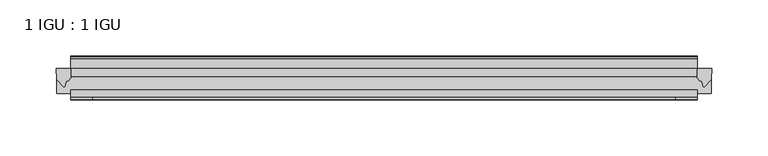
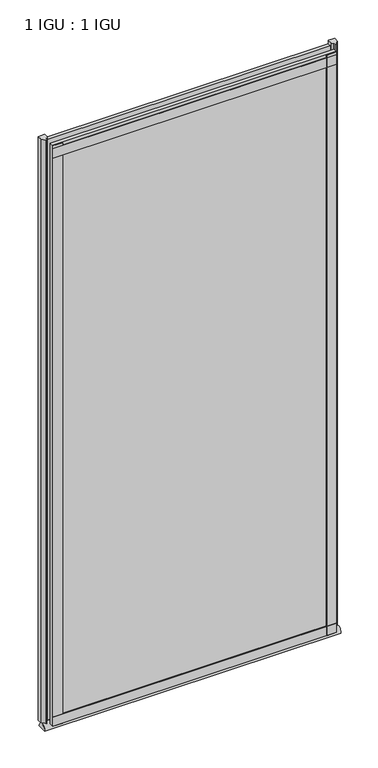
"""IFC4 building model written with IfcOpenShell, lengths in millimetres: plate geometry, 1 IGU : 1 IGU."""

from ifc_helpers import new_model, si_unit, point, frame, frame_2d, origin, place, context, project, spatial, polyline, circle_curve, ellipse_curve, trimmed, segment, composite_curve, outline, extrude, source, transform, mapped, element, save
from ifc_brep_helpers import plane_surface, extruded_surface, advanced_brep


def plate_1_igu_1_igu_e1daa75b(model_context):
    return source(origin(), model_context, "Body", "SolidModel", [
        extrude(outline(polyline([(278.8921925, -11.6085937), (278.8921925, -18.8576359), (-278.8921925, -18.8576359), (-278.8921925, -11.6085937), (278.8921925, -11.6085937)])), frame((0.0, 0.0, -19.05), z_axis=(0.0, 0.0, 1.0), x_axis=(1.0, 0.0, 0.0)), (0.0, 0.0, 1.0), 1206.5),
        extrude(outline(polyline([(-278.8921925, -30.7093937), (278.8921925, -30.7093937), (278.8921925, -37.0085937), (-278.8921925, -37.0085937), (-278.8921925, -30.7093937)])), frame((0.0, 0.0, -19.05), z_axis=(0.0, 0.0, 1.0), x_axis=(1.0, 0.0, 0.0)), (0.0, 0.0, 1.0), 1206.5),
        advanced_brep(
        [(291.5921925, -33.6472189, -28.575), (291.5921925, -14.9699686, -28.575), (-291.5921925, -33.6472189, -28.575), (-291.5921925, -14.9699686, -28.575)],
        [
            (0, 1),
            (1, 0, ellipse_curve(frame((291.5921925, -24.3085937, -28.575), z_axis=(1.0, 0.0, 0.0), x_axis=(0.0, 0.0, 1.0)), 10.6973372, 9.3386252)),
            (2, 3, ellipse_curve(frame((-291.5921925, -24.3085937, -28.575), z_axis=(-1.0, 0.0, 0.0), x_axis=(0.0, 0.0, 1.0)), 10.6973372, 9.3386252)),
            (3, 2),
            (0, 2),
            (3, 1),
        ],
        [
            plane_surface(frame((291.5921925, -9.2273438, -28.575), z_axis=(1.0, 0.0, 0.0), x_axis=(0.0, 1.0, 0.0))),
            plane_surface(frame((-291.5921925, -9.2273437, -28.575), z_axis=(-1.0, 0.0, 0.0), x_axis=(0.0, 1.0, 0.0))),
            plane_surface(frame((291.5921925, -33.6472189, -28.575), z_axis=(0.0, 0.0, -1.0), x_axis=(-1.0, 0.0, 0.0))),
            extruded_surface(trimmed(ellipse_curve(frame((-291.5921925, -24.3085937, -28.575), z_axis=(1.0, 0.0, 0.0), x_axis=(0.0, 0.0, 1.0)), 10.6973372, 9.3386252), [point((-291.5921925, -14.9699686, -28.575))], [point((-291.5921925, -33.6472189, -28.575))], True, "CARTESIAN"), (583.184385, 0.0, 0.0), 583.184385),
        ],
        [
            (0, [[1, 2]]),
            (1, [[3, 4]]),
            (2, [[-1, 5, -4, 6]]),
            (3, [[-2, -6, -3, -5]]),
        ],
    ),
        extrude(outline(composite_curve([segment(polyline([(291.9701017, -11.6101465), (291.5921925, -21.3502133), (285.6541393, -27.6095865)]), True, "CONTINUOUS"), segment(trimmed(circle_curve(frame_2d((284.9813332, -27.2518492)), 0.762), [point((285.6541393, -27.6095865))], [point((284.252629, -27.4746364))], False, "CARTESIAN"), True, "CONTINUOUS"), segment(polyline([(284.252629, -27.4746364), (282.9907944, -23.3488397)]), True, "CONTINUOUS"), segment(trimmed(circle_curve(frame_2d((285.1727516, -16.3834724)), 7.2991286), [point((282.9907944, -23.3488397))], [point((278.8923711, -20.1028944))], False, "CARTESIAN"), True, "CONTINUOUS"), segment(polyline([(278.8923711, -20.1028944), (278.8923711, -12.664425)]), True, "CONTINUOUS"), segment(trimmed(circle_curve(frame_2d((285.1736256, -16.3827796)), 7.2993369), [point((278.8923711, -12.664425))], [point((279.6507375, -11.6101465))], False, "CARTESIAN"), True, "CONTINUOUS"), segment(polyline([(279.6507375, -11.6101465), (291.9701017, -11.6101465)]), True, "CONTINUOUS")], self_intersect=False)), frame((0.0, 0.0, -19.05), z_axis=(0.0, 0.0, 1.0), x_axis=(1.0, 0.0, 0.0)), (0.0, 0.0, 1.0), 1213.6374),
        extrude(outline(composite_curve([segment(polyline([(-278.8921925, -11.610702), (-278.8921925, -20.1014769)]), True, "CONTINUOUS"), segment(trimmed(circle_curve(frame_2d((-285.1733869, -16.3829847)), 7.2993552), [point((-278.8921925, -20.1014769))], [point((-282.9911423, -23.3484994))], False, "CARTESIAN"), True, "CONTINUOUS"), segment(polyline([(-282.9911423, -23.3484994), (-284.252629, -27.4746364)]), True, "CONTINUOUS"), segment(trimmed(circle_curve(frame_2d((-284.9813332, -27.2518492)), 0.762), [point((-284.252629, -27.4746364))], [point((-285.6541393, -27.6095865))], False, "CARTESIAN"), True, "CONTINUOUS"), segment(polyline([(-285.6541393, -27.6095865), (-291.5921925, -21.3502133), (-291.9701017, -11.610702), (-278.8921925, -11.610702)]), True, "CONTINUOUS")], self_intersect=False)), frame((0.0, 0.0, -19.05), z_axis=(0.0, 0.0, 1.0), x_axis=(1.0, 0.0, 0.0)), (0.0, 0.0, 1.0), 1213.6374),
        extrude(outline(polyline([(-278.8921925, -39.2945937), (-278.8921925, -37.0085937), (278.8921925, -37.0085937), (278.8921925, -39.2945937), (-278.8921925, -39.2945937)])), frame((0.0, 0.0, -19.05), z_axis=(0.0, 0.0, 1.0), x_axis=(1.0, 0.0, 0.0)), (0.0, 0.0, 1.0), 19.05),
        extrude(outline(composite_curve([segment(polyline([(-3.0995937, 1177.3694213), (-3.0995937, 1175.3374213), (-5.2585937, 1175.3374213), (-5.2585937, 1170.0034213), (-1.5755937, 1170.0034213), (-1.5755937, 1166.9554213), (-5.2585937, 1166.9554213), (-5.2585937, 1162.1294213), (-0.5298657, 1162.7940007), (-0.4061408, 1161.9136524)]), True, "CONTINUOUS"), segment(trimmed(circle_curve(frame_2d((-1.4122531, 1161.7722525)), 1.016), [point((-0.4061408, 1161.9136524))], [point((-1.2708533, 1160.7661401))], False, "CARTESIAN"), True, "CONTINUOUS"), segment(polyline([(-1.2708533, 1160.7661401), (-11.6085937, 1159.3132655), (-11.6085937, 1177.3694213), (-3.0995937, 1177.3694213)]), True, "CONTINUOUS")], self_intersect=False)), frame((-278.8921925, 0.0, 0.0), z_axis=(1.0, 0.0, 0.0), x_axis=(0.0, 1.0, 0.0)), (0.0, 0.0, 1.0), 557.7843851),
        extrude(outline(polyline([(-278.8921925, -39.2945937), (-278.8921925, -37.0085937), (278.8921925, -37.0085937), (278.8921925, -39.2945937), (-278.8921925, -39.2945937)])), frame((0.0, 0.0, 1162.05), z_axis=(0.0, 0.0, 1.0), x_axis=(1.0, 0.0, 0.0)), (0.0, 0.0, 1.0), 19.05),
        extrude(outline(polyline([(259.8421925, -37.0085937), (278.8921925, -37.0085937), (278.8921925, -39.2945938), (259.8421925, -39.2945938), (259.8421925, -37.0085937)])), frame((0.0, 0.0, -19.05), z_axis=(0.0, 0.0, 1.0), x_axis=(1.0, 0.0, 0.0)), (0.0, 0.0, 1.0), 1206.5),
        extrude(outline(polyline([(-278.8921925, -39.2945937), (-278.8921925, -37.0085937), (-259.8421925, -37.0085937), (-259.8421925, -39.2945937), (-278.8921925, -39.2945937)])), frame((0.0, 0.0, -19.05), z_axis=(0.0, 0.0, 1.0), x_axis=(1.0, 0.0, 0.0)), (0.0, 0.0, 1.0), 1206.5),
    ])


if __name__ == "__main__":
    model = new_model("IFC4")
    model_context = context("Model", 3, world=origin())
    ifc_project = project(units=[si_unit("LENGTHUNIT", "METRE", prefix="MILLI")], contexts=[model_context])
    site = spatial("IfcSite", under=ifc_project)
    building = spatial("IfcBuilding", under=site)
    placement = place(None, origin())
    plate_1_igu_1_igu_shape = plate_1_igu_1_igu_e1daa75b(model_context)
    element("IfcPlate", 1, ObjectType="1 IGU : 1 IGU", at=placement, inside=building, context=model_context, shape_type="MappedRepresentation", body=[
        mapped(plate_1_igu_1_igu_shape, transform((0.0, 0.0, 0.0), x_axis=(1.0, 0.0, 0.0), y_axis=(0.0, 1.0, 0.0), z_axis=(0.0, 0.0, 1.0))),
    ])
    save(model, "model.ifc")
